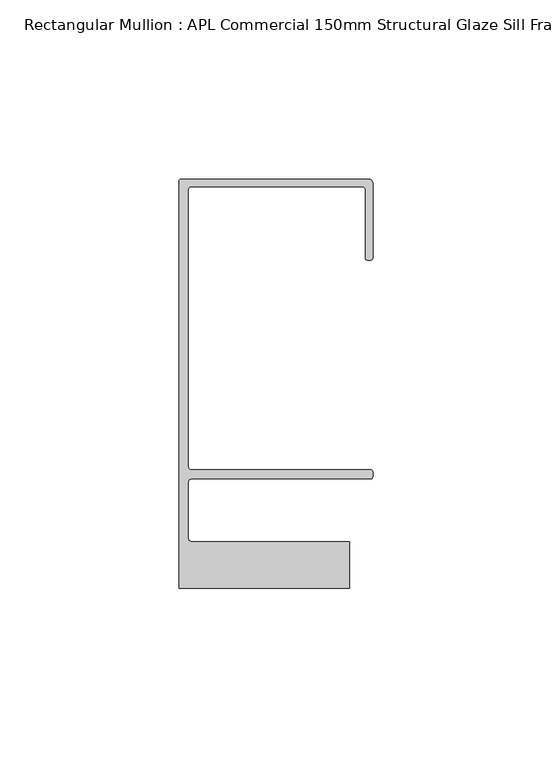
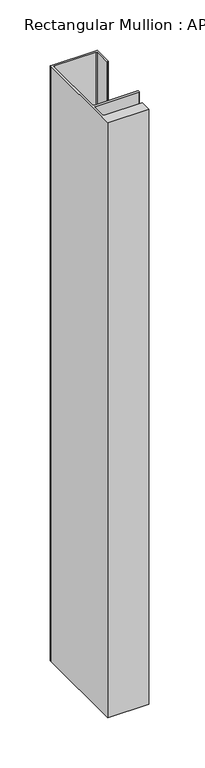
"""IFC4 building model written with IfcOpenShell, lengths in millimetres: member geometry, Rectangular Mullion : APL Commercial 150mm Structural Glaze Sill Frame (Back)."""

from ifc_helpers import new_model, si_unit, frame, origin, place, context, project, spatial, polyline, circle_curve, source, transform, mapped, element, save
from ifc_brep_helpers import plane_surface, cylinder_surface, revolved_surface, advanced_brep


def rectangular_mullion_apl_commercial_150mm_structural_glaze_c7c7c208(model_context):
    return source(origin(), model_context, "Body", "AdvancedBrep", [
        advanced_brep(
        [(-53.5000083, 129.0001071, 0.0), (-54.0000083, 128.5001071, 0.0), (-54.0000083, 15.0004332, 0.0), (-6.5000083, 15.0004332, 0.0), (-6.5000083, 28.0004332, 0.0), (-50.500032, 28.0004332, 0.0), (-51.500032, 29.0004332, 0.0), (-51.500032, 44.4999541, 0.0), (-50.500032, 45.4999541, 0.0), (-0.521387, 45.4999541, 0.0), (-5.4e-06, 46.0213357, 0.0), (-5.4e-06, 47.5021598, 0.0), (-0.5000012, 48.000115, 0.0), (-50.482081, 48.000115, 0.0), (-51.5000225, 48.9999541, 0.0), (-51.5000225, 126.00011, 0.0), (-50.5000083, 127.00011, 0.0), (-2.9999982, 127.00011, 0.0), (-1.9999982, 126.0001071, 0.0), (-1.9999982, 107.0001071, 0.0), (-1.4999822, 106.5001071, 0.0), (-0.5, 106.5001071, 0.0), (0.0, 107.0001071, 0.0), (0.0, 128.0001071, 0.0), (-1.0000079, 129.0001071, 0.0), (-53.5000083, 129.0001071, -722.1422708), (-1.0000079, 129.0001071, -722.1422708), (-7.9e-06, 128.0001071, -722.1422708), (0.0, 107.0001071, -722.1422708), (-0.5, 106.5001071, -722.1422708), (-1.4999822, 106.5001071, -722.1422708), (-1.9999822, 107.0001071, -722.1422708), (-1.9999982, 126.0001071, -722.1422708), (-2.9999982, 127.0001071, -722.1422708), (-50.5000083, 127.00011, -722.1422708), (-51.5000083, 126.00011, -722.1422708), (-51.5000225, 48.9999541, -722.1422708), (-50.482081, 48.000115, -722.1422708), (-0.5000012, 48.000115, -722.1422708), (-5.4e-06, 47.5021598, -722.1422708), (-5.4e-06, 46.0213357, -722.1422708), (-0.521387, 45.4999541, -722.1422708), (-50.500032, 45.4999541, -722.1422708), (-51.500032, 44.4999541, -722.1422708), (-51.500032, 29.0004332, -722.1422708), (-50.500032, 28.0004332, -722.1422708), (-6.5000083, 28.0004332, -722.1422708), (-6.5000083, 15.0004332, -722.1422708), (-54.0000083, 15.0004332, -722.1422708), (-54.0000083, 128.5001071, -722.1422708)],
        [
            (0, 1, circle_curve(frame((-53.5000083, 128.5001071, 0.0), z_axis=(0.0, 0.0, 1.0), x_axis=(0.0, 1.0, 0.0)), 0.5)),
            (1, 2),
            (2, 3),
            (3, 4),
            (4, 5),
            (5, 6, circle_curve(frame((-50.500032, 29.0004332, 0.0), z_axis=(0.0, 0.0, -1.0), x_axis=(0.0, -1.0, 0.0)), 1.0)),
            (6, 7),
            (7, 8, circle_curve(frame((-50.500032, 44.4999541, 0.0), z_axis=(0.0, 0.0, -1.0), x_axis=(-0.9999999999998819, 4.863123717036027e-07, 0.0)), 1.0)),
            (8, 9),
            (9, 10, circle_curve(frame((-0.521387, 46.0213357, 0.0), z_axis=(0.0, 0.0, 1.0), x_axis=(-1.0, 0.0, 0.0)), 0.5213816)),
            (10, 11),
            (11, 12, circle_curve(frame((-0.5000012, 47.500115, 0.0), z_axis=(0.0, 0.0, 1.0), x_axis=(0.9999999999999991, -4.5120271963110614e-08, 0.0)), 0.5)),
            (12, 13),
            (13, 14, circle_curve(frame((-50.5000225, 48.9999541, 0.0), z_axis=(0.0, 0.0, -1.0), x_axis=(3.5344775231070867e-06, -0.9999999999937538, 0.0)), 1.0)),
            (14, 15),
            (15, 16, circle_curve(frame((-50.5000083, 126.00011, 0.0), z_axis=(0.0, 0.0, -1.0), x_axis=(-1.0, 3.636202450239078e-12, 0.0)), 1.0)),
            (16, 17),
            (17, 18, circle_curve(frame((-2.9999982, 126.0001071, 0.0), z_axis=(0.0, 0.0, -1.0), x_axis=(0.0, 1.0, 0.0)), 1.0)),
            (18, 19),
            (19, 20, circle_curve(frame((-1.4999822, 107.0001071, 0.0), z_axis=(0.0, 0.0, 1.0), x_axis=(-1.0, -1.039279773351609e-08, 0.0)), 0.5)),
            (20, 21),
            (21, 22, circle_curve(frame((-0.5, 107.0001071, 0.0), z_axis=(0.0, 0.0, 1.0), x_axis=(0.0, -1.0, 0.0)), 0.5)),
            (22, 23),
            (23, 24, circle_curve(frame((-1.0000079, 128.0001071, 0.0), z_axis=(0.0, 0.0, 1.0), x_axis=(0.9999999999996143, 8.78371761103865e-07, 0.0)), 1.0)),
            (24, 0),
            (25, 26),
            (26, 27, circle_curve(frame((-1.0000079, 128.0001071, -722.1422708), z_axis=(0.0, 0.0, -1.0), x_axis=(0.9999999999996143, 8.78371761103865e-07, 0.0)), 1.0)),
            (27, 28),
            (28, 29, circle_curve(frame((-0.5, 107.0001071, -722.1422708), z_axis=(0.0, 0.0, -1.0), x_axis=(0.0, -1.0, 0.0)), 0.5)),
            (29, 30),
            (30, 31, circle_curve(frame((-1.4999822, 107.0001071, -722.1422708), z_axis=(0.0, 0.0, -1.0), x_axis=(-1.0, -1.039279773351609e-08, 0.0)), 0.5)),
            (31, 32),
            (32, 33, circle_curve(frame((-2.9999982, 126.0001071, -722.1422708), z_axis=(0.0, 0.0, 1.0), x_axis=(0.0, 1.0, 0.0)), 1.0)),
            (33, 34),
            (34, 35, circle_curve(frame((-50.5000083, 126.00011, -722.1422708), z_axis=(0.0, 0.0, 1.0), x_axis=(-1.0, 3.636202450239078e-12, 0.0)), 1.0)),
            (35, 36),
            (36, 37, circle_curve(frame((-50.5000225, 48.9999541, -722.1422708), z_axis=(0.0, 0.0, 1.0), x_axis=(3.5344775231070867e-06, -0.9999999999937538, 0.0)), 1.0)),
            (37, 38),
            (38, 39, circle_curve(frame((-0.5000012, 47.500115, -722.1422708), z_axis=(0.0, 0.0, -1.0), x_axis=(0.9999999999999991, -4.5120271963110614e-08, 0.0)), 0.5)),
            (39, 40),
            (40, 41, circle_curve(frame((-0.521387, 46.0213357, -722.1422708), z_axis=(0.0, 0.0, -1.0), x_axis=(-1.0, 0.0, 0.0)), 0.5213816)),
            (41, 42),
            (42, 43, circle_curve(frame((-50.500032, 44.4999541, -722.1422708), z_axis=(0.0, 0.0, 1.0), x_axis=(-0.9999999999998819, 4.863123717036027e-07, 0.0)), 1.0)),
            (43, 44),
            (44, 45, circle_curve(frame((-50.500032, 29.0004332, -722.1422708), z_axis=(0.0, 0.0, 1.0), x_axis=(0.0, -1.0, 0.0)), 1.0)),
            (45, 46),
            (46, 47),
            (47, 48),
            (48, 49),
            (49, 25, circle_curve(frame((-53.5000083, 128.5001071, -722.1422708), z_axis=(0.0, 0.0, -1.0), x_axis=(0.0, 1.0, 0.0)), 0.5)),
            (0, 25),
            (49, 1),
            (48, 2),
            (47, 3),
            (46, 4),
            (45, 5),
            (44, 6),
            (43, 7),
            (42, 8),
            (41, 9),
            (40, 10),
            (39, 11),
            (38, 12),
            (37, 13),
            (36, 14),
            (35, 15),
            (34, 16),
            (33, 17),
            (32, 18),
            (31, 19),
            (30, 20),
            (29, 21),
            (28, 22),
            (27, 23),
            (26, 24),
        ],
        [
            plane_surface(frame((0.0, -139.6548314, 0.0), z_axis=(0.0, 0.0, 1.0), x_axis=(-1.0, 0.0, 0.0))),
            plane_surface(frame((0.0, -139.6548314, -722.1422708), z_axis=(0.0, 0.0, -1.0), x_axis=(-1.0, 0.0, 0.0))),
            cylinder_surface(frame((-53.5000083, 128.5001071, 0.0), z_axis=(0.0, 0.0, 1.0), x_axis=(0.0, 1.0, 0.0)), 0.5),
            plane_surface(frame((-54.0000083, 128.5001071, 0.0), z_axis=(-1.0, 0.0, 0.0), x_axis=(0.0, 0.0, -1.0))),
            plane_surface(frame((-54.0000083, 15.0004332, 0.0), z_axis=(0.0, -1.0, 0.0), x_axis=(0.0, 0.0, -1.0))),
            plane_surface(frame((-6.5000083, 15.0004332, 0.0), z_axis=(1.0, 0.0, 0.0), x_axis=(0.0, 0.0, -1.0))),
            plane_surface(frame((-6.5000083, 28.0004332, 0.0), z_axis=(0.0, 1.0, 0.0), x_axis=(0.0, 0.0, -1.0))),
            revolved_surface(polyline([(-50.500032, 28.0004332, -722.1422708), (-50.500032, 28.0004332, 0.0)]), (-50.500032, 29.0004332, 0.0), (0.0, 0.0, -1.0)),
            plane_surface(frame((-51.500032, 29.0004332, 0.0), z_axis=(1.0, 0.0, 0.0), x_axis=(0.0, 0.0, -1.0))),
            revolved_surface(polyline([(-51.50003199999988, 44.49995458631237, -722.1422708000002), (-51.50003199999988, 44.49995458631237, 0.0)]), (-50.500032, 44.4999541, 0.0), (0.0, 0.0, -1.0000000000000002)),
            plane_surface(frame((-50.500032, 45.4999541, 0.0), z_axis=(0.0, -1.0, 0.0), x_axis=(0.0, 0.0, -1.0))),
            cylinder_surface(frame((-0.521387, 46.0213357, 0.0), z_axis=(0.0, 0.0, 1.0), x_axis=(-1.0, 0.0, 0.0)), 0.5213816),
            plane_surface(frame((-5.4e-06, 46.0213357, 0.0), z_axis=(1.0, 0.0, 0.0), x_axis=(0.0, 0.0, -1.0))),
            cylinder_surface(frame((-0.5000012, 47.500115, 0.0), z_axis=(0.0, 0.0, 1.0000000000000002), x_axis=(0.9999999999999991, -4.5120271963110614e-08, 0.0)), 0.5),
            plane_surface(frame((-0.5000012, 48.000115, 0.0), z_axis=(0.0, 1.0, 0.0), x_axis=(0.0, 0.0, -1.0))),
            revolved_surface(polyline([(-50.50001896552248, 47.99995410000624, -722.1422708), (-50.50001896552248, 47.99995410000624, 0.0)]), (-50.5000225, 48.9999541, 0.0), (0.0, 0.0, -1.0)),
            plane_surface(frame((-51.5000225, 48.9999541, 0.0), z_axis=(1.0, 0.0, 0.0), x_axis=(0.0, 0.0, -1.0))),
            revolved_surface(polyline([(-51.5000083, 126.00011000000364, -722.1422708), (-51.5000083, 126.00011000000364, 0.0)]), (-50.5000083, 126.00011, 0.0), (0.0, 0.0, -1.0)),
            plane_surface(frame((-50.5000083, 127.00011, 0.0), z_axis=(0.0, -1.0, 0.0), x_axis=(0.0, 0.0, -1.0))),
            revolved_surface(polyline([(-2.9999982, 127.0001071, -722.1422708), (-2.9999982, 127.0001071, 0.0)]), (-2.9999982, 126.0001071, 0.0), (0.0, 0.0, -1.0)),
            plane_surface(frame((-1.9999982, 126.0001071, 0.0), z_axis=(-1.0, 0.0, 0.0), x_axis=(0.0, 0.0, -1.0))),
            cylinder_surface(frame((-1.4999822, 107.0001071, 0.0), z_axis=(0.0, 0.0, 1.0), x_axis=(-1.0, -1.039279773351609e-08, 0.0)), 0.5),
            plane_surface(frame((-1.4999822, 106.5001071, 0.0), z_axis=(0.0, -1.0, 0.0), x_axis=(0.0, 0.0, -1.0))),
            cylinder_surface(frame((-0.5, 107.0001071, 0.0), z_axis=(0.0, 0.0, 1.0), x_axis=(0.0, -1.0, 0.0)), 0.5),
            plane_surface(frame((0.0, 107.0001071, 0.0), z_axis=(1.0, 0.0, 0.0), x_axis=(0.0, 0.0, -1.0))),
            cylinder_surface(frame((-1.0000079, 128.0001071, 0.0), z_axis=(0.0, 0.0, 1.0000000000000002), x_axis=(0.9999999999996143, 8.78371761103865e-07, 0.0)), 1.0),
            plane_surface(frame((-1.0000079, 129.0001071, 0.0), z_axis=(0.0, 1.0, 0.0), x_axis=(0.0, 0.0, -1.0))),
        ],
        [
            (0, [[1, 2, 3, 4, 5, 6, 7, 8, 9, 10, 11, 12, 13, 14, 15, 16, 17, 18, 19, 20, 21, 22, 23, 24, 25]]),
            (1, [[26, 27, 28, 29, 30, 31, 32, 33, 34, 35, 36, 37, 38, 39, 40, 41, 42, 43, 44, 45, 46, 47, 48, 49, 50]]),
            (2, [[-1, 51, -50, 52]]),
            (3, [[-2, -52, -49, 53]]),
            (4, [[-3, -53, -48, 54]]),
            (5, [[-4, -54, -47, 55]]),
            (6, [[-5, -55, -46, 56]]),
            (7, [[-6, -56, -45, 57]]),
            (8, [[-7, -57, -44, 58]]),
            (9, [[-8, -58, -43, 59]]),
            (10, [[-9, -59, -42, 60]]),
            (11, [[-10, -60, -41, 61]]),
            (12, [[-11, -61, -40, 62]]),
            (13, [[-12, -62, -39, 63]]),
            (14, [[-13, -63, -38, 64]]),
            (15, [[-14, -64, -37, 65]]),
            (16, [[-15, -65, -36, 66]]),
            (17, [[-16, -66, -35, 67]]),
            (18, [[-17, -67, -34, 68]]),
            (19, [[-18, -68, -33, 69]]),
            (20, [[-19, -69, -32, 70]]),
            (21, [[-20, -70, -31, 71]]),
            (22, [[-21, -71, -30, 72]]),
            (23, [[-22, -72, -29, 73]]),
            (24, [[-23, -73, -28, 74]]),
            (25, [[-24, -74, -27, 75]]),
            (26, [[-25, -75, -26, -51]]),
        ],
    ),
    ])


if __name__ == "__main__":
    model = new_model("IFC4")
    model_context = context("Model", 3, world=origin())
    ifc_project = project(units=[si_unit("LENGTHUNIT", "METRE", prefix="MILLI")], contexts=[model_context])
    site = spatial("IfcSite", under=ifc_project)
    building = spatial("IfcBuilding", under=site)
    placement = place(None, origin())
    rectangular_mullion_apl_commercial_150mm_structural_glaze_shape = rectangular_mullion_apl_commercial_150mm_structural_glaze_c7c7c208(model_context)
    element("IfcMember", 1, ObjectType="Rectangular Mullion : APL Commercial 150mm Structural Glaze Sill Frame (Back)", at=placement, inside=building, context=model_context, shape_type="MappedRepresentation", body=[
        mapped(rectangular_mullion_apl_commercial_150mm_structural_glaze_shape, transform((0.0, 0.0, 0.0), x_axis=(1.0, 0.0, 0.0), y_axis=(0.0, 1.0, 0.0), z_axis=(0.0, 0.0, 1.0))),
    ])
    save(model, "model.ifc")
